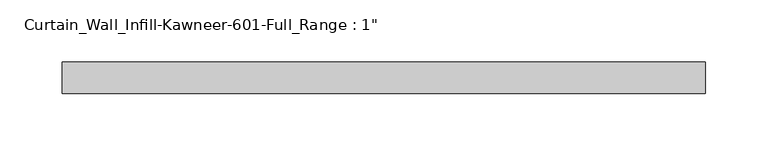
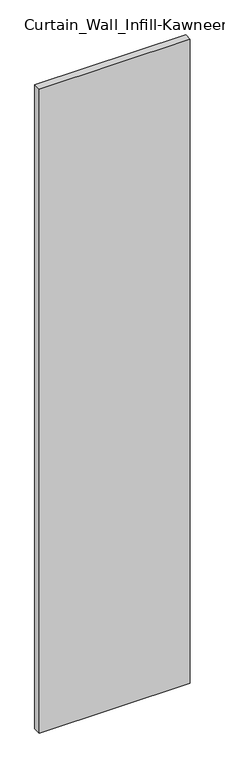
"""IFC4 building model written with IfcOpenShell, lengths in millimetres: plate geometry."""

from ifc_helpers import new_model, si_unit, origin, origin_with_axes, place, context, project, spatial, polyline, outline, extrude, source, transform, mapped, element, save


def plate_b4eb3fb4(model_context):
    return source(origin(), model_context, "Body", "SweptSolid", [
        extrude(outline(polyline([(-258.7625, 12.7), (258.7625, 12.7), (258.7625, -12.7), (-258.7625, -12.7), (-258.7625, 12.7)])), origin_with_axes(), (0.0, 0.0, 1.0), 2330.45),
    ])


if __name__ == "__main__":
    model = new_model("IFC4")
    model_context = context("Model", 3, world=origin())
    ifc_project = project(units=[si_unit("LENGTHUNIT", "METRE", prefix="MILLI")], contexts=[model_context])
    site = spatial("IfcSite", under=ifc_project)
    building = spatial("IfcBuilding", under=site)
    placement = place(None, origin())
    plate_shape = plate_b4eb3fb4(model_context)
    element("IfcPlate", 1, ObjectType="Curtain_Wall_Infill-Kawneer-601-Full_Range : 1\"", at=placement, inside=building, context=model_context, shape_type="MappedRepresentation", body=[
        mapped(plate_shape, transform((0.0, 0.0, 0.0), x_axis=(1.0, 0.0, 0.0), y_axis=(0.0, 1.0, 0.0), z_axis=(0.0, 0.0, 1.0))),
    ])
    save(model, "model.ifc")
